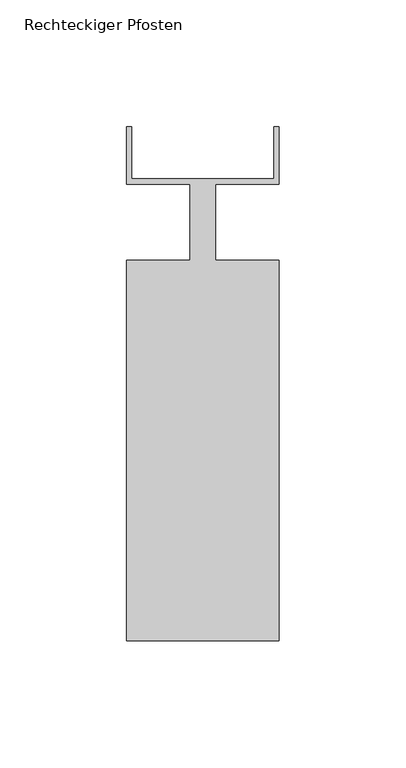
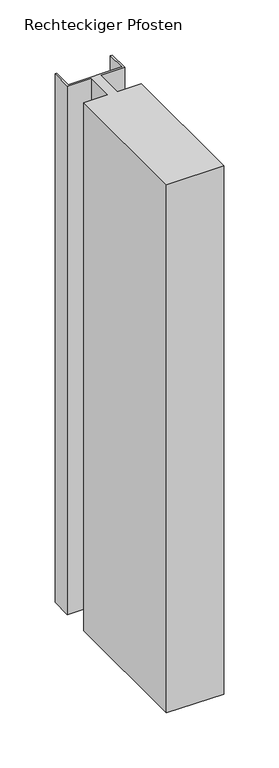
"""IFC4 building model written with IfcOpenShell, lengths in millimetres: member geometry, Rechteckiger Pfosten."""

from ifc_helpers import new_model, si_unit, frame, origin, place, context, project, spatial, polyline, outline, extrude, source, transform, mapped, element, save


def rechteckiger_pfosten_0075cb75(model_context):
    return source(origin(), model_context, "Body", "SweptSolid", [
        extrude(outline(polyline([(28.0, 37.5), (30.0, 37.5), (30.0, 15.0), (5.0, 15.0), (5.0, -15.0), (30.0, -15.0), (30.0, -165.0), (-30.0, -165.0), (-30.0, -15.0), (-5.0, -15.0), (-5.0, 15.0), (-30.0, 15.0), (-30.0, 37.5), (-28.0, 37.5), (-28.0, 17.0), (28.0, 17.0), (28.0, 37.5)])), frame((0.0, 0.0, -585.9527382), z_axis=(0.0, 0.0, 1.0), x_axis=(1.0, 0.0, 0.0)), (0.0, 0.0, 1.0), 585.9527382),
    ])


if __name__ == "__main__":
    model = new_model("IFC4")
    model_context = context("Model", 3, world=origin())
    ifc_project = project(units=[si_unit("LENGTHUNIT", "METRE", prefix="MILLI")], contexts=[model_context])
    site = spatial("IfcSite", under=ifc_project)
    building = spatial("IfcBuilding", under=site)
    placement = place(None, origin())
    rechteckiger_pfosten_shape = rechteckiger_pfosten_0075cb75(model_context)
    element("IfcMember", 1, ObjectType="Rechteckiger Pfosten", at=placement, inside=building, context=model_context, shape_type="MappedRepresentation", body=[
        mapped(rechteckiger_pfosten_shape, transform((0.0, 0.0, 0.0), x_axis=(1.0, 0.0, 0.0), y_axis=(0.0, 1.0, 0.0), z_axis=(0.0, 0.0, 1.0))),
    ])
    save(model, "model.ifc")
